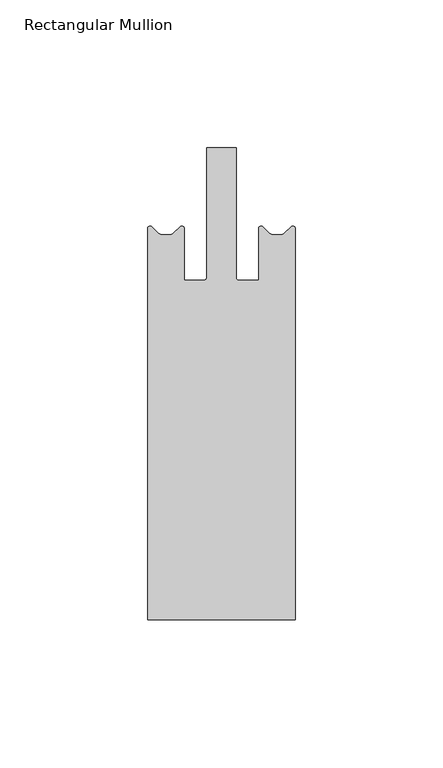
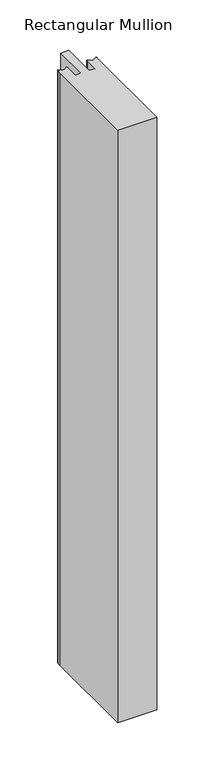
"""IFC4 building model written with IfcOpenShell, lengths in millimetres: member geometry, Rectangular Mullion."""

from ifc_helpers import new_model, si_unit, point, frame, frame_2d, origin, place, context, project, spatial, polyline, circle_curve, trimmed, segment, composite_curve, outline, extrude, source, transform, mapped, element, save


def rectangular_mullion_785133c4(model_context):
    return source(origin(), model_context, "Body", "SweptSolid", [
        extrude(outline(composite_curve([segment(polyline([(-25.0, 0.0), (-25.0, 127.990954), (-25.0, 132.6060663)]), True, "CONTINUOUS"), segment(trimmed(circle_curve(frame_2d((-24.2060663, 132.6060663)), 0.7939337), [point((-25.0, 132.6060663))], [point((-23.6684576, 133.1902817))], False, "CARTESIAN"), True, "CONTINUOUS"), segment(polyline([(-23.6684576, 133.1902817), (-21.3405776, 131.048112)]), True, "CONTINUOUS"), segment(trimmed(circle_curve(frame_2d((-19.9862865, 132.5198101)), 2.0), [point((-21.3405776, 131.048112))], [point((-19.9862865, 130.5198101))], True, "CARTESIAN"), True, "CONTINUOUS"), segment(polyline([(-19.9862865, 130.5198101), (-18.8, 130.5198101), (-17.6137135, 130.5198101)]), True, "CONTINUOUS"), segment(trimmed(circle_curve(frame_2d((-17.6137135, 132.5198101)), 2.0), [point((-17.6137135, 130.5198101))], [point((-16.2594224, 131.048112))], True, "CARTESIAN"), True, "CONTINUOUS"), segment(polyline([(-16.2594224, 131.048112), (-13.9315424, 133.1902817)]), True, "CONTINUOUS"), segment(trimmed(circle_curve(frame_2d((-13.3939337, 132.6060663)), 0.7939337), [point((-13.9315424, 133.1902817))], [point((-12.6, 132.6060663))], False, "CARTESIAN"), True, "CONTINUOUS"), segment(polyline([(-12.6, 132.6060663), (-12.6, 115.0), (-6.0, 115.0)]), True, "CONTINUOUS"), segment(trimmed(circle_curve(frame_2d((-6.0, 116.0)), 1.0), [point((-6.0, 115.0))], [point((-5.0, 116.0))], True, "CARTESIAN"), True, "CONTINUOUS"), segment(polyline([(-5.0, 116.0), (-5.0, 160.0), (5.0, 160.0), (5.0, 116.0)]), True, "CONTINUOUS"), segment(trimmed(circle_curve(frame_2d((6.0, 116.0)), 1.0), [point((5.0, 116.0))], [point((6.0, 115.0))], True, "CARTESIAN"), True, "CONTINUOUS"), segment(polyline([(6.0, 115.0), (12.6, 115.0), (12.6, 132.6060663)]), True, "CONTINUOUS"), segment(trimmed(circle_curve(frame_2d((13.3939337, 132.6060663)), 0.7939337), [point((12.6, 132.6060663))], [point((13.9315424, 133.1902817))], False, "CARTESIAN"), True, "CONTINUOUS"), segment(polyline([(13.9315424, 133.1902817), (16.2594224, 131.048112)]), True, "CONTINUOUS"), segment(trimmed(circle_curve(frame_2d((17.6137135, 132.5198101)), 2.0), [point((16.2594224, 131.048112))], [point((17.6137135, 130.5198101))], True, "CARTESIAN"), True, "CONTINUOUS"), segment(polyline([(17.6137135, 130.5198101), (18.8, 130.5198101), (19.9862865, 130.5198101)]), True, "CONTINUOUS"), segment(trimmed(circle_curve(frame_2d((19.9862865, 132.5198101)), 2.0), [point((19.9862865, 130.5198101))], [point((21.3405776, 131.048112))], True, "CARTESIAN"), True, "CONTINUOUS"), segment(polyline([(21.3405776, 131.048112), (23.6684576, 133.1902817)]), True, "CONTINUOUS"), segment(trimmed(circle_curve(frame_2d((24.2060663, 132.6060663)), 0.7939337), [point((23.6684576, 133.1902817))], [point((25.0, 132.6060663))], False, "CARTESIAN"), True, "CONTINUOUS"), segment(polyline([(25.0, 132.6060663), (25.0, 127.990954), (25.0, 0.0), (-25.0, 0.0)]), True, "CONTINUOUS")], self_intersect=False)), frame((0.0, 0.0, -800.0), z_axis=(0.0, 0.0, 1.0), x_axis=(1.0, 0.0, 0.0)), (0.0, 0.0, 1.0), 800.0),
    ])


if __name__ == "__main__":
    model = new_model("IFC4")
    model_context = context("Model", 3, world=origin())
    ifc_project = project(units=[si_unit("LENGTHUNIT", "METRE", prefix="MILLI")], contexts=[model_context])
    site = spatial("IfcSite", under=ifc_project)
    building = spatial("IfcBuilding", under=site)
    placement = place(None, origin())
    rectangular_mullion_shape = rectangular_mullion_785133c4(model_context)
    element("IfcMember", 1, ObjectType="Rectangular Mullion", at=placement, inside=building, context=model_context, shape_type="MappedRepresentation", body=[
        mapped(rectangular_mullion_shape, transform((0.0, 0.0, 0.0), x_axis=(1.0, 0.0, 0.0), y_axis=(0.0, 1.0, 0.0), z_axis=(0.0, 0.0, 1.0))),
    ])
    save(model, "model.ifc")
